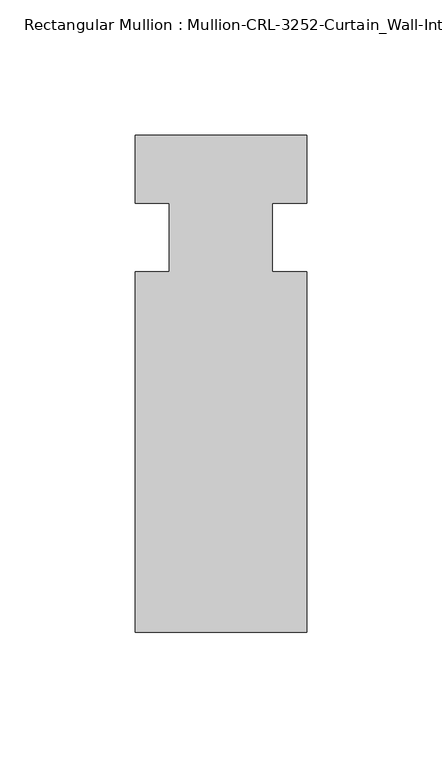
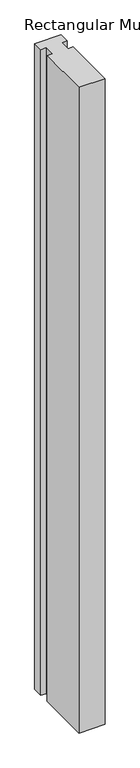
"""IFC4 building model written with IfcOpenShell, lengths in millimetres: member geometry, Rectangular Mullion : Mullion-CRL-3252-Curtain_Wall-Intermediate_Vertical."""

from ifc_helpers import new_model, si_unit, frame, origin, place, context, project, spatial, polyline, outline, extrude, source, transform, mapped, element, save


def rectangular_mullion_mullion_crl_3252_curtain_wall_17807f58(model_context):
    return source(origin(), model_context, "Body", "SweptSolid", [
        extrude(outline(polyline([(31.7997793, -146.0054758), (-31.7000602, -146.0054758), (-31.7000602, -12.7), (-19.008026, -12.7), (-19.008026, 12.7), (-31.7000602, 12.7), (-31.7000602, 37.8626457), (31.7997793, 37.8626457), (31.7997793, 12.7), (19.0940404, 12.7), (19.0940404, -12.7), (31.7997793, -12.7), (31.7997793, -146.0054758)])), frame((0.0, 0.0, -1642.0703125), z_axis=(0.0, 0.0, 1.0), x_axis=(1.0, 0.0, 0.0)), (0.0, 0.0, 1.0), 1642.0703125),
    ])


if __name__ == "__main__":
    model = new_model("IFC4")
    model_context = context("Model", 3, world=origin())
    ifc_project = project(units=[si_unit("LENGTHUNIT", "METRE", prefix="MILLI")], contexts=[model_context])
    site = spatial("IfcSite", under=ifc_project)
    building = spatial("IfcBuilding", under=site)
    placement = place(None, origin())
    rectangular_mullion_mullion_crl_3252_curtain_wall_shape = rectangular_mullion_mullion_crl_3252_curtain_wall_17807f58(model_context)
    element("IfcMember", 1, ObjectType="Rectangular Mullion : Mullion-CRL-3252-Curtain_Wall-Intermediate_Vertical", at=placement, inside=building, context=model_context, shape_type="MappedRepresentation", body=[
        mapped(rectangular_mullion_mullion_crl_3252_curtain_wall_shape, transform((0.0, 0.0, 0.0), x_axis=(1.0, 0.0, 0.0), y_axis=(0.0, 1.0, 0.0), z_axis=(0.0, 0.0, 1.0))),
    ])
    save(model, "model.ifc")
